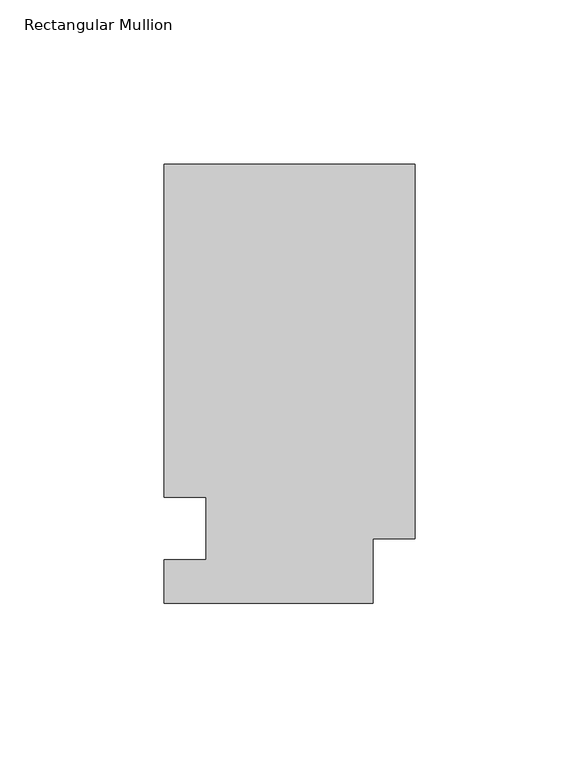
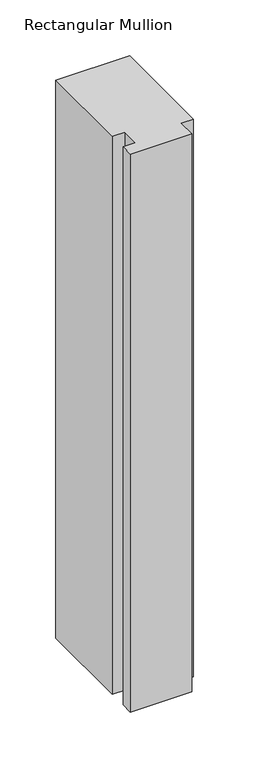
"""IFC4 building model written with IfcOpenShell, lengths in millimetres: member geometry, Rectangular Mullion."""

from ifc_helpers import new_model, si_unit, frame, origin, place, context, project, spatial, polyline, outline, extrude, source, transform, mapped, element, save


def rectangular_mullion_b099a7ad(model_context):
    return source(origin(), model_context, "Body", "SweptSolid", [
        extrude(outline(polyline([(0.0, 133.4396938), (0.0, 19.5460937), (-12.7, 19.5460937), (-12.7, 0.0134937), (-76.2, 0.0134937), (-76.2, 13.1960937), (-63.5, 13.1960937), (-63.5, 32.2460938), (-76.2, 32.2460937), (-76.2, 133.4396938), (0.0, 133.4396938)])), frame((0.0, 0.0, -609.6), z_axis=(0.0, 0.0, 1.0), x_axis=(1.0, 0.0, 0.0)), (0.0, 0.0, 1.0), 609.6),
    ])


if __name__ == "__main__":
    model = new_model("IFC4")
    model_context = context("Model", 3, world=origin())
    ifc_project = project(units=[si_unit("LENGTHUNIT", "METRE", prefix="MILLI")], contexts=[model_context])
    site = spatial("IfcSite", under=ifc_project)
    building = spatial("IfcBuilding", under=site)
    placement = place(None, origin())
    rectangular_mullion_shape = rectangular_mullion_b099a7ad(model_context)
    element("IfcMember", 1, ObjectType="Rectangular Mullion", at=placement, inside=building, context=model_context, shape_type="MappedRepresentation", body=[
        mapped(rectangular_mullion_shape, transform((0.0, 0.0, 0.0), x_axis=(1.0, 0.0, 0.0), y_axis=(0.0, 1.0, 0.0), z_axis=(0.0, 0.0, 1.0))),
    ])
    save(model, "model.ifc")
